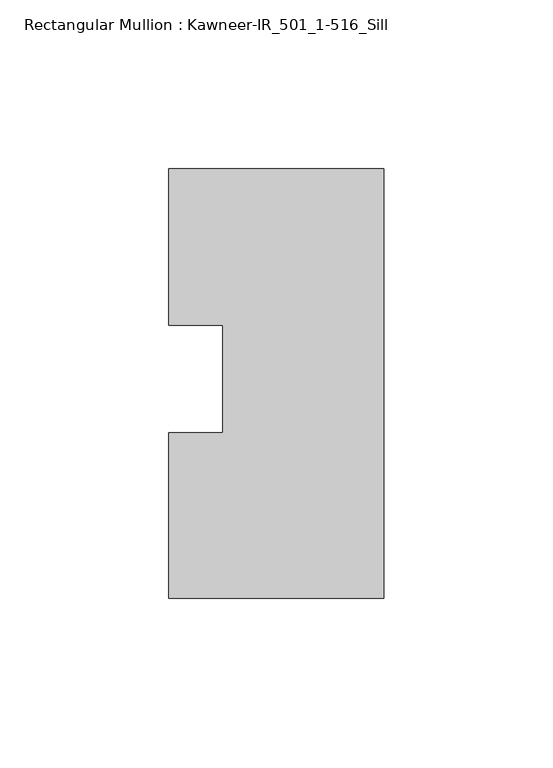
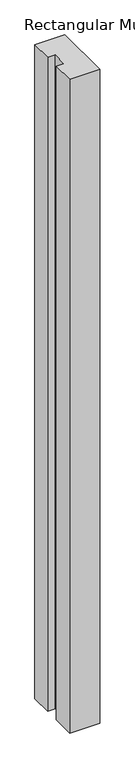
"""IFC4 building model written with IfcOpenShell, lengths in millimetres: member geometry, Rectangular Mullion : Kawneer-IR_501_1-516_Sill."""

from ifc_helpers import new_model, si_unit, frame, origin, place, context, project, spatial, polyline, outline, extrude, source, transform, mapped, element, save


def rectangular_mullion_kawneer_ir_501_1_516_sill_213fa522(model_context):
    return source(origin(), model_context, "Body", "SweptSolid", [
        extrude(outline(polyline([(-63.5, -39.6875), (-63.5, 9.3110967), (-47.6250184, 9.3110967), (-47.6250184, 41.0610967), (-63.5, 41.0610967), (-63.5, 87.3125), (0.0, 87.3125), (0.0, -39.6875), (-63.5, -39.6875)])), frame((0.0, 0.0, -1460.5), z_axis=(0.0, 0.0, 1.0), x_axis=(1.0, 0.0, 0.0)), (0.0, 0.0, 1.0), 1460.5),
    ])


if __name__ == "__main__":
    model = new_model("IFC4")
    model_context = context("Model", 3, world=origin())
    ifc_project = project(units=[si_unit("LENGTHUNIT", "METRE", prefix="MILLI")], contexts=[model_context])
    site = spatial("IfcSite", under=ifc_project)
    building = spatial("IfcBuilding", under=site)
    placement = place(None, origin())
    rectangular_mullion_kawneer_ir_501_1_516_sill_shape = rectangular_mullion_kawneer_ir_501_1_516_sill_213fa522(model_context)
    element("IfcMember", 1, ObjectType="Rectangular Mullion : Kawneer-IR_501_1-516_Sill", at=placement, inside=building, context=model_context, shape_type="MappedRepresentation", body=[
        mapped(rectangular_mullion_kawneer_ir_501_1_516_sill_shape, transform((0.0, 0.0, 0.0), x_axis=(1.0, 0.0, 0.0), y_axis=(0.0, 1.0, 0.0), z_axis=(0.0, 0.0, 1.0))),
    ])
    save(model, "model.ifc")
